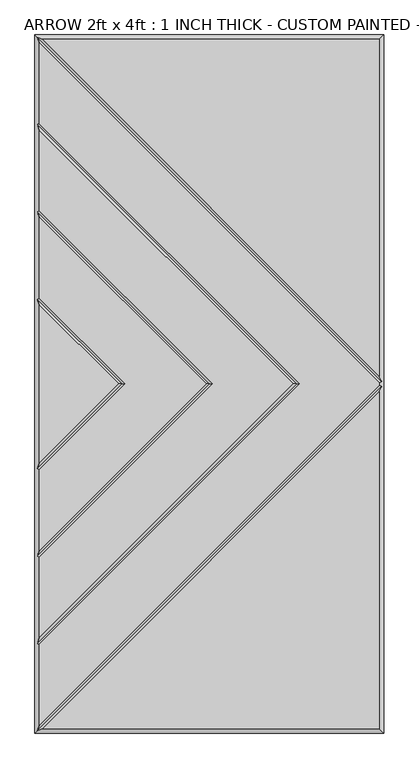
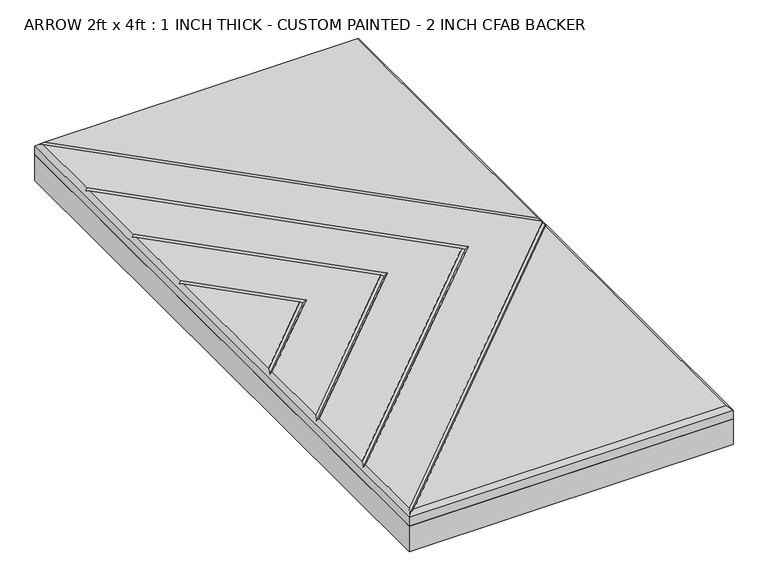
"""IFC4 building model written with IfcOpenShell, lengths in millimetres: proxy geometry, ARROW 2ft x 4ft : 1 INCH THICK - CUSTOM PAINTED - 2 INCH CFAB BACKER."""

from ifc_helpers import new_model, si_unit, frame, origin, place, context, project, spatial, polyline, outline, extrude, faceted_brep, source, transform, mapped, element, save


def arrow_2ft_x_4ft_1_inch_thick_custom_painted_2_inch_cfab_cfb4e70a(model_context):
    return source(origin(), model_context, "Body", "SolidModel", [
        extrude(outline(polyline([(-304.8, 609.6), (304.8, 609.6), (304.8, -609.6), (-304.8, -609.6), (-304.8, 609.6)])), frame((0.0, 0.0, -50.8), z_axis=(0.0, 0.0, 1.0), x_axis=(1.0, 0.0, 0.0)), (0.0, 0.0, 1.0), 50.8),
        faceted_brep([(296.799, -2.3434386, 25.4), (296.799, 2.3434386, 25.4), (-296.799, 595.9414386, 25.4), (-296.799, 454.8565868, 25.4), (158.0575614, 2.54e-05, 25.4), (-296.799, -454.856536, 25.4), (-296.799, -595.9414386, 25.4), (296.799, 601.599, 25.4), (-291.1414386, 601.599, 25.4), (296.799, 13.6585614, 25.4), (-291.1414386, -601.599, 25.4), (296.799, -601.599, 25.4), (296.799, -13.6585614, 25.4), (146.7424386, 2.54e-05, 25.4), (-296.799, 443.541464, 25.4), (-296.799, 302.4565868, 25.4), (5.6575614, 2.54e-05, 25.4), (-296.799, -302.456536, 25.4), (-296.799, -443.5414132, 25.4), (-5.6575614, 2.54e-05, 25.4), (-296.799, 291.141464, 25.4), (-296.799, 150.0565868, 25.4), (-146.7424386, 2.54e-05, 25.4), (-296.799, -150.056536, 25.4), (-296.799, -291.1414132, 25.4), (-296.799, 138.741464, 25.4), (-296.799, -138.7414132, 25.4), (-158.0575614, 2.54e-05, 25.4), (-304.8, 609.6, 0.0), (304.8, 609.6, 0.0), (304.8, -609.6, 0.0), (-304.8, -609.6, 0.0), (-304.8, -609.6, 17.399), (-304.8, 609.6, 17.399), (304.8, -609.6, 17.399), (304.8, 609.6, 17.399), (-300.7995, 605.5995, 21.3995), (-300.7995, -605.5995, 21.3995), (-300.7995, -453.1994746, 21.3995), (-300.7995, -300.7994746, 21.3995), (-300.7995, -148.3994746, 21.3995), (-300.7995, 148.3995254, 21.3995), (-300.7995, 300.7995254, 21.3995), (-300.7995, 453.1995254, 21.3995), (300.7995, 4.0005, 21.3995), (300.7995, -4.0005, 21.3995), (152.4, 2.54e-05, 21.3995), (0.0, 2.54e-05, 21.3995), (-152.4, 2.54e-05, 21.3995)], [[[0, 1, 2, 3, 4, 5, 6]], [[7, 8, 9]], [[10, 11, 12]], [[13, 14, 15, 16, 17, 18]], [[19, 20, 21, 22, 23, 24]], [[25, 26, 27]], [[28, 29, 30, 31]], [[28, 31, 32, 33]], [[31, 30, 34, 32]], [[30, 29, 35, 34]], [[29, 28, 33, 35]], [[7, 35, 33, 36, 8]], [[33, 32, 37, 6, 5, 38, 18, 17, 39, 24, 23, 40, 26, 25, 41, 21, 20, 42, 15, 14, 43, 3, 2, 36]], [[34, 11, 10, 37, 32]], [[35, 7, 9, 44, 1, 0, 45, 12, 11, 34]], [[36, 44, 9, 8]], [[44, 36, 2, 1]], [[45, 37, 10, 12]], [[37, 45, 0, 6]], [[46, 4, 3, 43]], [[13, 46, 43, 14]], [[4, 46, 38, 5]], [[46, 13, 18, 38]], [[47, 16, 15, 42]], [[19, 47, 42, 20]], [[16, 47, 39, 17]], [[47, 19, 24, 39]], [[48, 22, 21, 41]], [[27, 48, 41, 25]], [[22, 48, 40, 23]], [[48, 27, 26, 40]]]),
    ])


if __name__ == "__main__":
    model = new_model("IFC4")
    model_context = context("Model", 3, world=origin())
    ifc_project = project(units=[si_unit("LENGTHUNIT", "METRE", prefix="MILLI")], contexts=[model_context])
    site = spatial("IfcSite", under=ifc_project)
    building = spatial("IfcBuilding", under=site)
    placement = place(None, origin())
    arrow_2ft_x_4ft_1_inch_thick_custom_painted_2_inch_cfab_shape = arrow_2ft_x_4ft_1_inch_thick_custom_painted_2_inch_cfab_cfb4e70a(model_context)
    element("IfcBuildingElementProxy", 1, Name="ARROW 2ft x 4ft : 1 INCH THICK - CUSTOM PAINTED - 2 INCH CFAB BACKER", ObjectType="ARROW 2ft x 4ft : 1 INCH THICK - CUSTOM PAINTED - 2 INCH CFAB BACKER", at=placement, inside=building, context=model_context, shape_type="MappedRepresentation", body=[
        mapped(arrow_2ft_x_4ft_1_inch_thick_custom_painted_2_inch_cfab_shape, transform((0.0, 0.0, 0.0), x_axis=(1.0, 0.0, 0.0), y_axis=(0.0, 1.0, 0.0), z_axis=(0.0, 0.0, 1.0))),
    ])
    save(model, "model.ifc")
